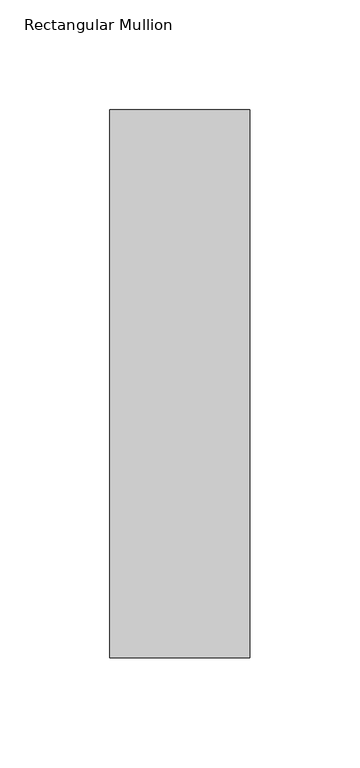
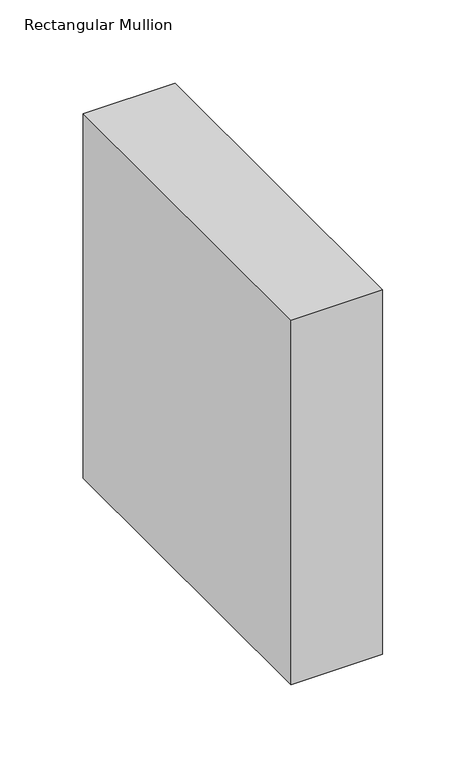
"""IFC4 building model written with IfcOpenShell, lengths in millimetres: member geometry, Rectangular Mullion."""

from ifc_helpers import new_model, si_unit, frame, origin, place, context, project, spatial, polyline, outline, extrude, source, transform, mapped, element, save


def rectangular_mullion_a7487039(model_context):
    return source(origin(), model_context, "Body", "SweptSolid", [
        extrude(outline(polyline([(-63.5, 46.7447302), (-63.5, 295.9695312), (0.0, 295.9695312), (0.0, 46.7447302), (-63.5, 46.7447302)])), frame((0.0, 0.0, -267.0194233), z_axis=(0.0, 0.0, 1.0), x_axis=(1.0, 0.0, 0.0)), (0.0, 0.0, 1.0), 267.0194233),
    ])


if __name__ == "__main__":
    model = new_model("IFC4")
    model_context = context("Model", 3, world=origin())
    ifc_project = project(units=[si_unit("LENGTHUNIT", "METRE", prefix="MILLI")], contexts=[model_context])
    site = spatial("IfcSite", under=ifc_project)
    building = spatial("IfcBuilding", under=site)
    placement = place(None, origin())
    rectangular_mullion_shape = rectangular_mullion_a7487039(model_context)
    element("IfcMember", 1, ObjectType="Rectangular Mullion", at=placement, inside=building, context=model_context, shape_type="MappedRepresentation", body=[
        mapped(rectangular_mullion_shape, transform((0.0, 0.0, 0.0), x_axis=(1.0, 0.0, 0.0), y_axis=(0.0, 1.0, 0.0), z_axis=(0.0, 0.0, 1.0))),
    ])
    save(model, "model.ifc")
